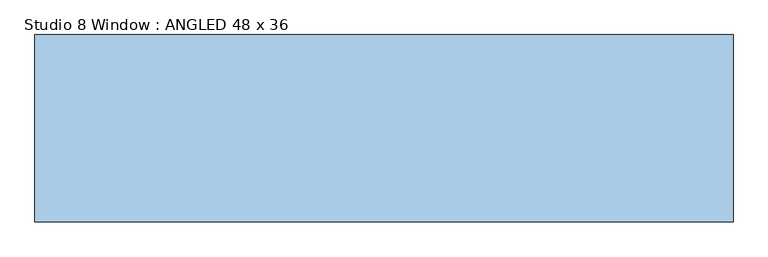
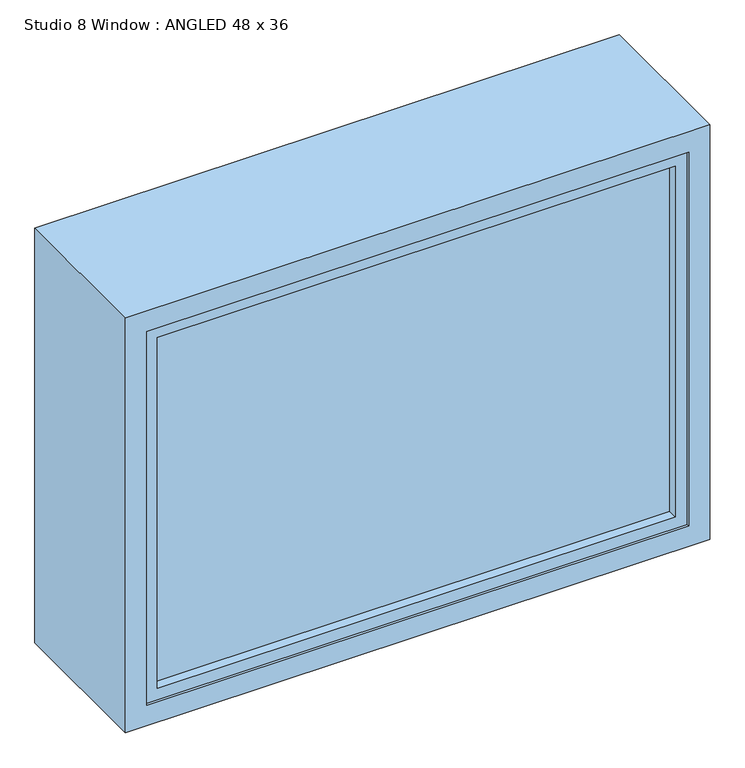
"""IFC4 building model written with IfcOpenShell, lengths in millimetres: window geometry, Studio 8 Window : ANGLED 48 x 36."""

from ifc_helpers import new_model, si_unit, frame, origin, place, context, project, spatial, polyline, outline, extrude, faceted_brep, source, transform, mapped, element, save


def studio_8_window_angled_48_x_36_5c1aeb29(model_context):
    return source(origin(), model_context, "Body", "SolidModel", [
        faceted_brep([(609.6, 225.425, 800.0), (609.6, 225.425, 1714.4), (609.6, -101.6, 1714.4), (609.6, -101.6, 800.0), (-609.6, 225.425, 1714.4), (-609.6, 225.425, 800.0), (-609.6, -101.6, 800.0), (-609.6, -101.6, 1714.4), (-565.1841948, 141.2335446, 1644.3291864), (-565.1841948, 141.2335446, 1669.9841948), (565.1841948, 141.2335446, 1669.9841948), (565.1841948, 141.2335446, 1644.3291864), (565.1841948, 102.1160071, 1644.3291864), (-565.1841948, 102.1160071, 1644.3291864), (565.1841948, 102.1160071, 1669.9841948), (-565.1841948, 102.1160071, 1669.9841948), (565.1841948, 219.9766396, 869.8527456), (565.1841948, 219.9766396, 844.4158052), (-565.1841948, 219.9766396, 844.4158052), (-565.1841948, 219.9766396, 869.8527456), (-565.1841948, 180.6050921, 869.8527456), (-565.1841948, 180.6050921, 844.4158052), (565.1841948, 180.6050921, 844.4158052), (565.1841948, 180.6050921, 869.8527456), (-565.1841948, -101.6, 1669.9841948), (-565.1841948, -101.6, 844.4158052), (-565.1841948, -96.208715, 844.4158052), (-565.1841948, -96.208715, 1669.9841948), (565.1841948, -101.6, 844.4158052), (565.1841948, -96.208715, 844.4158052), (565.1841948, -101.6, 1669.9841948), (565.1841948, -96.208715, 1669.9841948), (-565.1841948, 225.425, 1669.9841948), (-565.1841948, 225.425, 844.4158052), (565.1841948, 225.425, 844.4158052), (565.1841948, 225.425, 1669.9841948), (-565.1841948, -57.0911775, 1669.9841948), (-565.1841948, -57.0911775, 844.4158052), (-539.7831964, -96.208715, 1644.5831964), (-539.7831964, -96.208715, 869.8168036), (-539.7831964, -57.0911775, 869.8168036), (-539.7831964, -57.0911775, 1644.5831964), (565.1841948, -57.0911775, 844.4158052), (539.7831964, -96.208715, 869.8168036), (539.7831964, -57.0911775, 869.8168036), (565.1841948, -57.0911775, 1669.9841948), (539.7831964, -96.208715, 1644.5831964), (539.7831964, -57.0911775, 1644.5831964)], [[[0, 1, 2, 3]], [[4, 5, 6, 7]], [[8, 9, 10, 11]], [[11, 12, 13, 8]], [[12, 14, 15, 13]], [[16, 17, 18, 19]], [[20, 21, 22, 23]], [[19, 20, 23, 16]], [[24, 25, 26, 27]], [[5, 0, 3, 6]], [[25, 28, 29, 26]], [[28, 30, 31, 29]], [[7, 2, 1, 4]], [[4, 1, 0, 5], [32, 33, 34, 35]], [[27, 31, 30, 24]], [[6, 3, 2, 7], [24, 30, 28, 25]], [[32, 9, 8, 13, 15, 36, 37, 21, 20, 19, 18, 33]], [[38, 39, 40, 41]], [[33, 18, 17, 34]], [[42, 22, 21, 37]], [[39, 43, 44, 40]], [[34, 17, 16, 23, 22, 42, 45, 14, 12, 11, 10, 35]], [[43, 46, 47, 44]], [[35, 10, 9, 32]], [[36, 15, 14, 45]], [[36, 45, 42, 37], [40, 44, 47, 41]], [[41, 47, 46, 38]], [[26, 29, 31, 27], [38, 46, 43, 39]]]),
        extrude(outline(polyline([(552.45, -76.1419262), (-552.45, -76.1419262), (-552.45, -66.4895469), (552.45, -66.4895469), (552.45, -76.1419262)])), frame((0.0, 0.0, 857.15), z_axis=(0.0, 0.0, 1.0), x_axis=(1.0, 0.0, 0.0)), (0.0, 0.0, 1.0), 800.1),
        extrude(outline(polyline([(212.914609, 857.15), (189.1142864, 857.15), (109.3336875, 1657.25), (133.1085861, 1657.25), (212.914609, 857.15)])), frame((-552.45, 0.0, 0.0), z_axis=(1.0, 0.0, 0.0), x_axis=(0.0, 1.0, 0.0)), (0.0, 0.0, 1.0), 1104.9),
    ])


if __name__ == "__main__":
    model = new_model("IFC4")
    model_context = context("Model", 3, world=origin())
    ifc_project = project(units=[si_unit("LENGTHUNIT", "METRE", prefix="MILLI")], contexts=[model_context])
    site = spatial("IfcSite", under=ifc_project)
    building = spatial("IfcBuilding", under=site)
    placement = place(None, origin())
    studio_8_window_angled_48_x_36_shape = studio_8_window_angled_48_x_36_5c1aeb29(model_context)
    element("IfcWindow", 1, ObjectType="Studio 8 Window : ANGLED 48 x 36", at=placement, inside=building, context=model_context, shape_type="MappedRepresentation", body=[
        mapped(studio_8_window_angled_48_x_36_shape, transform((0.0, 0.0, 0.0), x_axis=(1.0, 0.0, 0.0), y_axis=(0.0, 1.0, 0.0), z_axis=(0.0, 0.0, 1.0))),
    ])
    save(model, "model.ifc")
